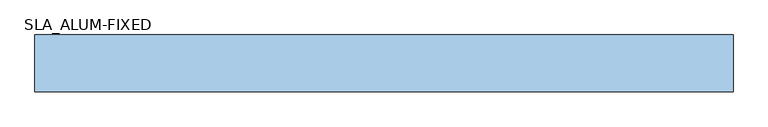
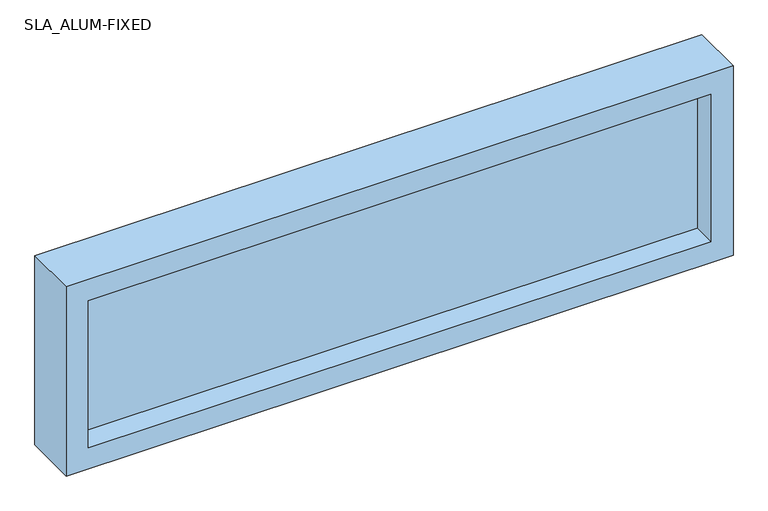
"""IFC4 building model written with IfcOpenShell, lengths in millimetres: window geometry, SLA_ALUM-FIXED."""

from ifc_helpers import new_model, si_unit, frame, origin, place, context, project, spatial, polyline, outline, extrude, source, transform, mapped, element, save


def sla_alum_fixed_868e004a(model_context):
    return source(origin(), model_context, "Body", "SweptSolid", [
        extrude(outline(polyline([(-1320.8, 109.1075246), (101.6, 109.1075246), (101.6, 83.7075246), (-1320.8, 83.7075246), (-1320.8, 109.1075246)])), frame((0.0, 0.0, 2794.0), z_axis=(0.0, 0.0, 1.0), x_axis=(1.0, 0.0, 0.0)), (0.0, 0.0, 1.0), 355.6),
        extrude(outline(polyline([(3200.4, -1371.6), (2743.2, -1371.6), (2743.2, 152.4), (3200.4, 152.4), (3200.4, -1371.6)]), holes=[polyline([(3149.6, 101.6), (2794.0, 101.6), (2794.0, -1320.8), (3149.6, -1320.8), (3149.6, 101.6)])]), frame((0.0, 29.7325246, 0.0), z_axis=(0.0, 1.0, 0.0), x_axis=(0.0, 0.0, 1.0)), (0.0, 0.0, 1.0), 123.825),
    ])


if __name__ == "__main__":
    model = new_model("IFC4")
    model_context = context("Model", 3, world=origin())
    ifc_project = project(units=[si_unit("LENGTHUNIT", "METRE", prefix="MILLI")], contexts=[model_context])
    site = spatial("IfcSite", under=ifc_project)
    building = spatial("IfcBuilding", under=site)
    placement = place(None, origin())
    sla_alum_fixed_shape = sla_alum_fixed_868e004a(model_context)
    element("IfcWindow", 1, ObjectType="SLA_ALUM-FIXED", at=placement, inside=building, context=model_context, shape_type="MappedRepresentation", body=[
        mapped(sla_alum_fixed_shape, transform((0.0, 0.0, 0.0), x_axis=(1.0, 0.0, 0.0), y_axis=(0.0, 1.0, 0.0), z_axis=(0.0, 0.0, 1.0))),
    ])
    save(model, "model.ifc")
